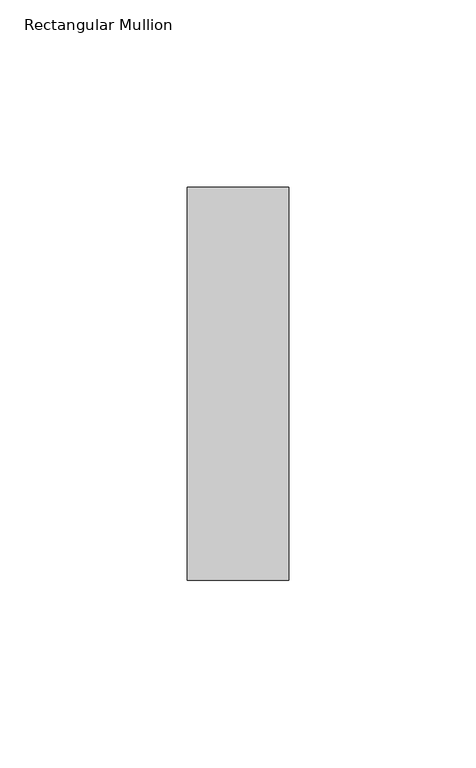
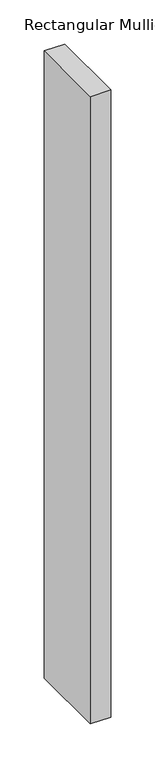
"""IFC4 building model written with IfcOpenShell, lengths in millimetres: member geometry, Rectangular Mullion."""

from ifc_helpers import new_model, si_unit, frame, origin, place, context, project, spatial, polyline, outline, extrude, source, transform, mapped, element, save


def rectangular_mullion_528e501e(model_context):
    return source(origin(), model_context, "Body", "SweptSolid", [
        extrude(outline(polyline([(0.0, 52.3975), (0.0, -52.3975), (-27.0, -52.3975), (-27.0, 52.3975), (0.0, 52.3975)])), frame((0.0, 0.0, -869.8333333), z_axis=(0.0, 0.0, 1.0), x_axis=(1.0, 0.0, 0.0)), (0.0, 0.0, 1.0), 869.8333333),
    ])


if __name__ == "__main__":
    model = new_model("IFC4")
    model_context = context("Model", 3, world=origin())
    ifc_project = project(units=[si_unit("LENGTHUNIT", "METRE", prefix="MILLI")], contexts=[model_context])
    site = spatial("IfcSite", under=ifc_project)
    building = spatial("IfcBuilding", under=site)
    placement = place(None, origin())
    rectangular_mullion_shape = rectangular_mullion_528e501e(model_context)
    element("IfcMember", 1, ObjectType="Rectangular Mullion", at=placement, inside=building, context=model_context, shape_type="MappedRepresentation", body=[
        mapped(rectangular_mullion_shape, transform((0.0, 0.0, 0.0), x_axis=(1.0, 0.0, 0.0), y_axis=(0.0, 1.0, 0.0), z_axis=(0.0, 0.0, 1.0))),
    ])
    save(model, "model.ifc")
